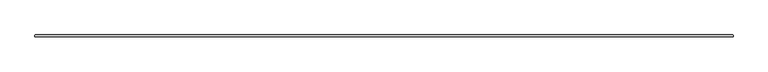
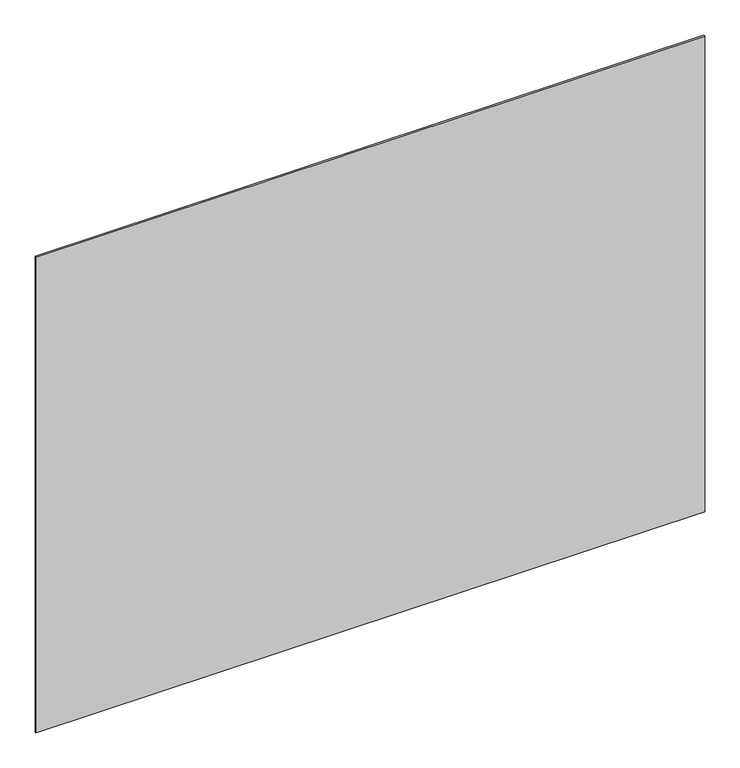
"""IFC4 building model written with IfcOpenShell, lengths in millimetres: plate geometry."""

from ifc_helpers import new_model, si_unit, origin, origin_with_axes, place, context, project, spatial, polyline, outline, extrude, source, transform, mapped, element, save


def plate_c424fa48(model_context):
    return source(origin(), model_context, "Body", "SweptSolid", [
        extrude(outline(polyline([(1606.153125, -34.925), (-1606.153125, -34.925), (-1607.740625, -33.3375), (-1607.740625, -26.9875), (-1606.153125, -25.4), (1606.153125, -25.4), (1607.740625, -26.9875), (1607.740625, -33.3375), (1606.153125, -34.925)])), origin_with_axes(), (0.0, 0.0, 1.0), 2417.075),
    ])


if __name__ == "__main__":
    model = new_model("IFC4")
    model_context = context("Model", 3, world=origin())
    ifc_project = project(units=[si_unit("LENGTHUNIT", "METRE", prefix="MILLI")], contexts=[model_context])
    site = spatial("IfcSite", under=ifc_project)
    building = spatial("IfcBuilding", under=site)
    placement = place(None, origin())
    plate_shape = plate_c424fa48(model_context)
    element("IfcPlate", 1, at=placement, inside=building, context=model_context, shape_type="MappedRepresentation", body=[
        mapped(plate_shape, transform((0.0, 0.0, 0.0), x_axis=(1.0, 0.0, 0.0), y_axis=(0.0, 1.0, 0.0), z_axis=(0.0, 0.0, 1.0))),
    ])
    save(model, "model.ifc")
